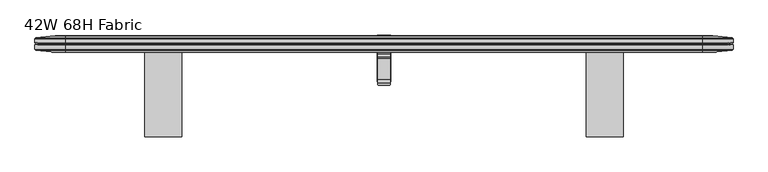
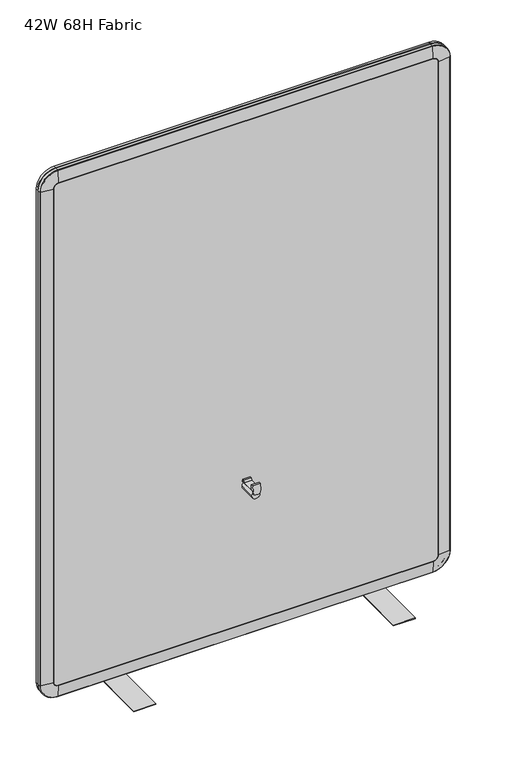
"""IFC4 building model written with IfcOpenShell, lengths in millimetres: furniture geometry, 42W 68H Fabric."""

import ifcopenshell
import ifcopenshell.guid

model = None  # the IFC model being written
_history = None  # IfcOwnerHistory: only IFC2X3 demands one
_inside = {}  # id of a spatial element -> (the spatial element, [elements in it])
_under = {}  # id of a project, library or spatial element -> (it, [spatial elements below it])
_declared = {}  # id of a project -> (the project, [libraries it declares])
_typed = {}  # id of a type object -> (the type object, [elements of that type])
_made_of = {}  # id of a material, layer set ... -> (it, [elements and type objects made of it])


def new_model(schema):
    """Start an empty IFC model of exactly this schema.

    Asked for "IFC4X3", IfcOpenShell would pick the latest addendum, in which some entities
    have other attributes; the version numbers below select the first issue.
    IFC2X3 requires an IfcOwnerHistory on every rooted entity: one is made here for all.
    """
    global model, _history
    if schema == "IFC4X3":
        model = ifcopenshell.file(schema_version=(4, 3, 0, 0))
    else:
        model = ifcopenshell.file(schema=schema)
    _inside.clear()
    _under.clear()
    _declared.clear()
    _typed.clear()
    _made_of.clear()
    _history = None
    if model.schema == "IFC2X3":
        org = make("IfcOrganization", Name="unknown")
        user = make(
            "IfcPersonAndOrganization",
            ThePerson=make("IfcPerson", FamilyName="unknown"),
            TheOrganization=org,
        )
        app = make(
            "IfcApplication",
            ApplicationDeveloper=org,
            Version="unknown",
            ApplicationFullName="unknown",
            ApplicationIdentifier="unknown",
        )
        _history = make(
            "IfcOwnerHistory",
            OwningUser=user,
            OwningApplication=app,
            ChangeAction="ADDED",
            CreationDate=0,
        )
    return model


def make(cls, **values):
    """One entity of the class cls with the attributes given. An attribute that is None is left unset."""
    return model.create_entity(
        cls, **{name: value for name, value in values.items() if value is not None}
    )


def rooted(cls, **values):
    """An entity with a GlobalId (a new one), such as an element, a storey or a relation."""
    return make(cls, GlobalId=ifcopenshell.guid.new(), OwnerHistory=_history, **values)


def si_unit(unit_type, name, prefix=None):
    """IfcSIUnit, for example si_unit("LENGTHUNIT", "METRE", prefix="MILLI")."""
    return make("IfcSIUnit", UnitType=unit_type, Prefix=prefix, Name=name)


def assignment(units):
    """IfcUnitAssignment: the units of a project."""
    return None if units is None else make("IfcUnitAssignment", Units=units)


def point(xyz):
    """IfcCartesianPoint."""
    return None if xyz is None else make("IfcCartesianPoint", Coordinates=xyz)


def direction(xyz):
    """IfcDirection."""
    return None if xyz is None else make("IfcDirection", DirectionRatios=xyz)


def frame(location, z_axis=None, x_axis=None):
    """IfcAxis2Placement3D, a coordinate frame: its origin and axes. An axis left out is left unset."""
    return make(
        "IfcAxis2Placement3D",
        Location=point(location),
        Axis=direction(z_axis),
        RefDirection=direction(x_axis),
    )


def origin():
    """The frame at (0, 0, 0) with its axes left unset."""
    return frame((0.0, 0.0, 0.0))


def place(relative_to, where):
    """IfcLocalPlacement: puts the frame where relative to a parent placement (None: the world)."""
    return make(
        "IfcLocalPlacement", PlacementRelTo=relative_to, RelativePlacement=where
    )


def context(
    kind, dimensions, precision=None, world=None, true_north=None, identifier=None
):
    """IfcGeometricRepresentationContext, for example the 3D "Model" context."""
    return make(
        "IfcGeometricRepresentationContext",
        ContextIdentifier=identifier,
        ContextType=kind,
        CoordinateSpaceDimension=dimensions,
        Precision=precision,
        WorldCoordinateSystem=world,
        TrueNorth=true_north,
    )


def project(units=None, contexts=None):
    """IfcProject with its units and contexts."""
    return rooted(
        "IfcProject",
        Name="project",
        RepresentationContexts=contexts,
        UnitsInContext=assignment(units),
    )


def spatial(cls, under=None, at=None, **own):
    """A site, building, storey or space (cls), placed at a placement, below another one or the project."""
    s = rooted(cls, ObjectPlacement=at, **own)
    if under is not None:
        _under.setdefault(under.id(), (under, []))[1].append(s)
    return s


def polyline(points):
    """IfcPolyline through the points."""
    return make("IfcPolyline", Points=[point(p) for p in points])


def circle_curve(where, radius):
    """IfcCircle in the frame where."""
    return make("IfcCircle", Position=where, Radius=radius)


def ellipse_curve(where, semi_axis1, semi_axis2):
    """IfcEllipse in the frame where."""
    return make(
        "IfcEllipse", Position=where, SemiAxis1=semi_axis1, SemiAxis2=semi_axis2
    )


def trimmed(basis, trim1, trim2, sense, master):
    """IfcTrimmedCurve: the piece of a basis curve between two trims."""
    return make(
        "IfcTrimmedCurve",
        BasisCurve=basis,
        Trim1=trim1,
        Trim2=trim2,
        SenseAgreement=sense,
        MasterRepresentation=master,
    )


def outline(outer, holes=None, kind="AREA"):
    """IfcArbitraryClosedProfileDef: a profile drawn as a closed curve; with holes, ...WithVoids."""
    if holes is None:
        return make("IfcArbitraryClosedProfileDef", ProfileType=kind, OuterCurve=outer)
    return make(
        "IfcArbitraryProfileDefWithVoids",
        ProfileType=kind,
        OuterCurve=outer,
        InnerCurves=holes,
    )


def extrude(swept, where, along, depth):
    """IfcExtrudedAreaSolid: the profile swept, set in the frame where, extruded along a direction by depth."""
    return make(
        "IfcExtrudedAreaSolid",
        SweptArea=swept,
        Position=where,
        ExtrudedDirection=direction(along),
        Depth=depth,
    )


def faces_of(points, faces, orient=None, outer=None):
    """IfcFace entities. A face is a list of loops; a loop is a list of indices into points, from 0.

    orient and outer hold one flag for each loop. By default every Orientation is true, the
    first loop of a face is its IfcFaceOuterBound and the others are IfcFaceBound.
    """
    made = []
    for i, loops in enumerate(faces):
        bounds = []
        for j, loop in enumerate(loops):
            is_outer = j == 0 if outer is None else outer[i][j]
            bounds.append(
                make(
                    "IfcFaceOuterBound" if is_outer else "IfcFaceBound",
                    Bound=make("IfcPolyLoop", Polygon=[points[k] for k in loop]),
                    Orientation=True if orient is None else orient[i][j],
                )
            )
        made.append(make("IfcFace", Bounds=bounds))
    return made


def faceted_brep(points, faces, orient=None, outer=None, voids=None):
    """IfcFacetedBrep: a solid bounded by flat faces; with voids (closed shells), ...WithVoids."""
    shared = [point(p) for p in points]
    hull = make("IfcClosedShell", CfsFaces=faces_of(shared, faces, orient, outer))
    if voids is None:
        return make("IfcFacetedBrep", Outer=hull)
    return make(
        "IfcFacetedBrepWithVoids",
        Outer=hull,
        Voids=[
            make(cls, CfsFaces=faces_of(shared, fs, o, b)) for cls, fs, o, b in voids
        ],
    )


def shape(context_of_items, identifier, shape_type, items):
    """IfcShapeRepresentation: the items that make up one representation, for example the "Body"."""
    return make(
        "IfcShapeRepresentation",
        ContextOfItems=context_of_items,
        RepresentationIdentifier=identifier,
        RepresentationType=shape_type,
        Items=items,
    )


def source(mapping_origin, context_of_items, identifier, shape_type, items):
    """IfcRepresentationMap: a shape defined once, which mapped items show again and again."""
    return make(
        "IfcRepresentationMap",
        MappingOrigin=mapping_origin,
        MappedRepresentation=shape(context_of_items, identifier, shape_type, items),
    )


def transform(
    local_origin,
    x_axis=None,
    y_axis=None,
    z_axis=None,
    scale=None,
    scale2=None,
    scale3=None,
    uniform=True,
):
    """IfcCartesianTransformationOperator3D, or its non-uniform kind. x_axis, y_axis, z_axis: its Axis1, 2, 3."""
    if uniform:
        return make(
            "IfcCartesianTransformationOperator3D",
            Axis1=direction(x_axis),
            Axis2=direction(y_axis),
            LocalOrigin=point(local_origin),
            Scale=scale,
            Axis3=direction(z_axis),
        )
    return make(
        "IfcCartesianTransformationOperator3DnonUniform",
        Axis1=direction(x_axis),
        Axis2=direction(y_axis),
        LocalOrigin=point(local_origin),
        Scale=scale,
        Axis3=direction(z_axis),
        Scale2=scale2,
        Scale3=scale3,
    )


def mapped(mapping_source, mapping_target):
    """IfcMappedItem: shows the shape of a source again, moved by a transform."""
    return make(
        "IfcMappedItem", MappingSource=mapping_source, MappingTarget=mapping_target
    )


def made_of(thing, what):
    """Note that an element or type object is made of a material, layer set ...; save() writes the relation."""
    if what is not None:
        _made_of.setdefault(what.id(), (what, []))[1].append(thing)
    return thing


def element(
    cls,
    number,
    at=None,
    inside=None,
    cuts=None,
    type_object=None,
    material=None,
    context=None,
    identifier="Body",
    shape_type=None,
    held_by="IfcProductDefinitionShape",
    body=None,
    shapes=None,
    **own,
):
    """One element of the class cls, such as IfcWall. Its Tag is "e" and its number.

    at: its placement. inside: the storey or other place that contains it. cuts: it is an
    opening in that element (IfcRelVoidsElement). A single representation is given by context,
    identifier, shape_type and body (its items); several are given by shapes. held_by: the class
    of the entity that holds the representations. save() writes the other relations.
    """
    e = rooted(cls, Tag="e%d" % number, ObjectPlacement=at, **own)
    if body is not None:
        shapes = [shape(context, identifier, shape_type, body)]
    if shapes is not None:
        e.Representation = make(held_by, Representations=shapes)
    if inside is not None:
        _inside.setdefault(inside.id(), (inside, []))[1].append(e)
    if cuts is not None:
        rooted(
            "IfcRelVoidsElement", RelatingBuildingElement=cuts, RelatedOpeningElement=e
        )
    if type_object is not None:
        _typed.setdefault(type_object.id(), (type_object, []))[1].append(e)
    return made_of(e, material)


def aggregate(whole, parts):
    """IfcRelAggregates: a whole, such as a stair, and the parts it consists of."""
    return rooted("IfcRelAggregates", RelatingObject=whole, RelatedObjects=parts)


def save(model, path):
    """Write the relations noted so far, then the file.

    IfcRelAggregates (storeys below a building ...), IfcRelContainedInSpatialStructure (elements
    in a storey), IfcRelDefinesByType, IfcRelAssociatesMaterial and IfcRelDeclares: one each for
    every whole, place, type object, material and project.
    """
    for whole, parts in _under.values():
        aggregate(whole, parts)
    for where, things in _inside.values():
        rooted(
            "IfcRelContainedInSpatialStructure",
            RelatedElements=things,
            RelatingStructure=where,
        )
    for kind, things in _typed.values():
        rooted("IfcRelDefinesByType", RelatedObjects=things, RelatingType=kind)
    for what, things in _made_of.values():
        rooted("IfcRelAssociatesMaterial", RelatedObjects=things, RelatingMaterial=what)
    for by, libraries in _declared.values():
        rooted("IfcRelDeclares", RelatingContext=by, RelatedDefinitions=libraries)
    model.write(path)


def plane_surface(at):
    """IfcPlane: the flat surface through the origin of the frame at, square to its z axis."""
    return make("IfcPlane", Position=at)


def cylinder_surface(at, radius):
    """IfcCylindricalSurface: all points at the distance radius from the z axis of the frame at."""
    return make("IfcCylindricalSurface", Position=at, Radius=radius)


def revolved_surface(curve, axis_point, axis_direction):
    """IfcSurfaceOfRevolution: the curve turned about the line through axis_point along axis_direction."""
    return make(
        "IfcSurfaceOfRevolution",
        SweptCurve=make("IfcArbitraryOpenProfileDef", ProfileType="CURVE", Curve=curve),
        AxisPosition=make("IfcAxis1Placement", Location=point(axis_point), Axis=direction(axis_direction)),
    )


def advanced_brep(points, edges, surfaces, faces):
    """IfcAdvancedBrep: a solid bounded by faces that lie on surfaces and meet in shared edges.

    An edge is (start, end): straight between two places in points (the first is 0);
    or (start, end, curve); or (start, end, curve, False) where it runs against its curve.
    A face is (place in surfaces, loops), or (place, loops, False) where it looks against
    its surface's normal. A loop lists edges by number (the first is 1), with a minus sign
    where the edge is run from its end to its start. The first loop is the outer one.
    """
    corners = [point(p) for p in points]
    vertices = [make("IfcVertexPoint", VertexGeometry=c) for c in corners]
    made = []
    for start, end, *more in edges:
        made.append(
            make(
                "IfcEdgeCurve",
                EdgeStart=vertices[start],
                EdgeEnd=vertices[end],
                EdgeGeometry=more[0] if more else make("IfcPolyline", Points=[corners[start], corners[end]]),
                SameSense=more[1] if len(more) > 1 else True,
            )
        )
    hull = []
    for where, loops, *sense in faces:
        bounds = []
        for j, loop in enumerate(loops):
            ring = [make("IfcOrientedEdge", EdgeElement=made[abs(k) - 1], Orientation=k > 0) for k in loop]
            bounds.append(
                make(
                    "IfcFaceOuterBound" if j == 0 else "IfcFaceBound",
                    Bound=make("IfcEdgeLoop", EdgeList=ring),
                    Orientation=True,
                )
            )
        hull.append(make("IfcAdvancedFace", Bounds=bounds, FaceSurface=surfaces[where], SameSense=sense[0] if sense else True))
    return make("IfcAdvancedBrep", Outer=make("IfcClosedShell", CfsFaces=hull))


def furniture_42w_68h_fabric_8a742047(model_context):
    return source(origin(), model_context, "Body", "SolidModel", [
        faceted_brep([(543.1789937, -2.6277066, 718.3078995), (543.1789937, -7.8728065, 718.3078995), (543.1789937, -9.612707, 713.1770353), (543.1789937, -41.8453065, 713.1770353), (543.1789937, -41.8453065, 727.3377989), (543.1789937, -47.4124812, 727.6782578), (543.1789937, -49.3824418, 711.6342516), (543.1789937, -46.6092656, 711.2937476), (543.1789937, -44.6393083, 725.0708588), (543.1789937, -44.6393083, 711.6530731), (543.1789937, 0.0, 711.6530731), (543.1789937, 0.0, 713.1770353), (543.1789937, -6.4377066, 713.1770353), (543.1789937, -6.2853063, 716.7838646), (543.1789937, -2.6277066, 716.7838646), (523.5447997, -2.6277066, 718.3078995), (523.5447997, -2.6277066, 716.7838646), (523.5447997, -6.2853063, 716.7838646), (523.5447997, -6.4377066, 713.1770353), (523.5447997, 0.0, 713.1770353), (523.5447997, 0.0, 711.6530731), (523.5447997, -44.6393083, 711.6530731), (523.5447997, -44.6393083, 725.0708588), (523.5447997, -46.6092689, 711.2937201), (523.5447997, -49.3824418, 711.6342516), (523.5447997, -47.4124812, 727.6782578), (523.5447997, -41.8453065, 727.3377989), (523.5447997, -41.8453065, 713.1770353), (523.5447997, -9.612707, 713.1770353), (523.5447997, -7.8728065, 718.3078995), (524.8326571, -50.2284276, 704.7442655), (530.1869088, -50.5788515, 701.8902979), (536.5368846, -50.5788515, 701.8902979), (541.8911363, -50.2284276, 704.7442655), (524.8326571, -47.4552511, 704.4037615), (541.8911363, -47.4552511, 704.4037615), (536.5368846, -47.805675, 701.5497938), (530.1869088, -47.805675, 701.5497938)], [[[0, 1, 2, 3, 4, 5, 6, 7, 8, 9, 10, 11, 12, 13, 14]], [[15, 16, 17, 18, 19, 20, 21, 22, 23, 24, 25, 26, 27, 28, 29]], [[1, 0, 15, 29]], [[2, 1, 29, 28]], [[3, 2, 28, 27]], [[4, 3, 27, 26]], [[5, 4, 26, 25]], [[6, 5, 25, 24, 30, 31, 32, 33]], [[8, 7, 23, 22]], [[9, 8, 22, 21]], [[10, 9, 21, 20]], [[11, 10, 20, 19]], [[12, 11, 19, 18]], [[13, 12, 18, 17]], [[14, 13, 17, 16]], [[0, 14, 16, 15]], [[34, 23, 7, 35, 36, 37]], [[31, 30, 34, 37]], [[32, 31, 37, 36]], [[33, 32, 36, 35]], [[6, 33, 35, 7]], [[30, 24, 23, 34]]]),
        advanced_brep(
        [(522.7250945, -44.6393083, 697.9244563), (543.9987055, -44.6393083, 697.9244563), (522.7250945, 26.4188362, 697.9244563), (543.9987055, 26.4188362, 697.9244563)],
        [
            (0, 1, circle_curve(frame((533.3619, -44.6393083, 697.9244563), z_axis=(0.0, -1.0, 0.0), x_axis=(1.0, 0.0, 0.0)), 10.6368055)),
            (1, 0, circle_curve(frame((533.3619, -44.6393083, 697.9244563), z_axis=(0.0, -1.0, 0.0), x_axis=(1.0, 0.0, 0.0)), 10.6368055)),
            (2, 3, circle_curve(frame((533.3619, 26.4188362, 697.9244563), z_axis=(0.0, 1.0, 0.0), x_axis=(1.0, 0.0, 0.0)), 10.6368055)),
            (3, 2, circle_curve(frame((533.3619, 26.4188362, 697.9244563), z_axis=(0.0, 1.0, 0.0), x_axis=(1.0, 0.0, 0.0)), 10.6368055)),
            (0, 2),
            (3, 1),
        ],
        [
            plane_surface(frame((543.9987055, -44.6393083, 697.9244563), z_axis=(0.0, -1.0, 0.0), x_axis=(0.0, 0.0, 1.0))),
            plane_surface(frame((543.9987055, 26.4188362, 697.9244563), z_axis=(0.0, 1.0, 0.0), x_axis=(0.0, 0.0, -1.0))),
            cylinder_surface(frame((533.3619, 26.4188362, 697.9244563), z_axis=(0.0, -1.0, 0.0), x_axis=(1.0, 0.0, 0.0)), 10.6368055),
        ],
        [
            (0, [[1, 2]]),
            (1, [[3, 4]]),
            (2, [[-1, 5, -4, 6]]),
            (2, [[-2, -6, -3, -5]]),
        ],
    ),
        extrude(outline(polyline([(11.6100608, 299.6271871), (13.3880602, 299.6271871), (13.3880602, 280.5771871), (-128.851937, 280.5771871), (-128.851937, 282.3551854), (11.6100608, 282.3551854), (11.6100608, 299.6271871)])), frame((842.0098934, 0.0, 0.0), z_axis=(1.0, 0.0, 0.0), x_axis=(0.0, 1.0, 0.0)), (0.0, 0.0, 1.0), 57.15),
        advanced_brep(
        [(32.6290972, 0.060067, 1685.4384987), (46.0374985, 0.060067, 1698.8469), (46.0374985, 3.1660648, 1729.8795636), (1.5964336, 3.1660648, 1685.4384987), (33.8323782, 0.0, 1685.4384987), (46.0374985, 0.0, 1697.6436189), (31.2877283, 25.2051854, 1685.4384987), (46.0374985, 25.2051854, 1700.1882689), (46.0374985, 25.4000008, 1696.2954989), (35.1804983, 25.4000008, 1685.4384987), (1.5874985, 22.2249992, 1685.4384987), (46.0374985, 22.2249992, 1729.8884987), (0.0635363, 20.7010007, 1685.4384987), (46.0374985, 20.7010007, 1731.4124609), (0.0635363, 14.2240001, 1685.4384987), (46.0374985, 14.2240001, 1731.4124609), (1.5874985, 12.7000004, 1685.4384987), (46.0374985, 12.7000004, 1729.8884987), (0.0635363, 11.1759996, 1685.4384987), (46.0374985, 11.1759996, 1731.4124609), (0.0635363, 4.6990001, 1685.4384987), (46.0374985, 4.6990001, 1731.4124609), (1.5964336, 3.1660648, 329.7896689), (32.6290972, 0.060067, 329.7896689), (33.8323782, 0.0, 329.7896689), (35.1804983, 25.4000008, 329.7896689), (31.2877283, 25.2051854, 329.7896689), (1.5874985, 22.2249992, 329.7896689), (0.0635363, 20.7010007, 329.7896689), (0.0635363, 14.2240001, 329.7896689), (1.5874985, 12.7000004, 329.7896689), (0.0635363, 11.1759996, 329.7896689), (0.0635363, 4.6990001, 329.7896689), (46.0374985, 3.1660648, 285.3486041), (46.0374985, 0.060067, 316.3812677), (46.0374985, 0.0, 317.5845487), (46.0374985, 25.4000008, 318.9326688), (46.0374985, 25.2051854, 315.0398987), (46.0374985, 22.2249992, 285.3396689), (46.0374985, 20.7010007, 283.8157067), (46.0374985, 14.2240001, 283.8157067), (46.0374985, 12.7000004, 285.3396689), (46.0374985, 11.1759996, 283.8157067), (46.0374985, 4.6990001, 283.8157067), (1020.6863176, 3.1660648, 285.3486041), (1020.6863176, 0.060067, 316.3812677), (1020.6863176, 0.0, 317.5845487), (1020.6863176, 25.4000008, 318.9326688), (1020.6863176, 25.2051854, 315.0398987), (1020.6863176, 22.2249992, 285.3396689), (1020.6863176, 20.7010007, 283.8157067), (1020.6863176, 14.2240001, 283.8157067), (1020.6863176, 12.7000004, 285.3396689), (1020.6863176, 11.1759996, 283.8157067), (1020.6863176, 4.6990001, 283.8157067), (1065.1273825, 3.1660648, 329.7896689), (1034.0947189, 0.060067, 329.7896689), (1032.8914379, 0.0, 329.7896689), (1031.5433178, 25.4000008, 329.7896689), (1035.4360878, 25.2051854, 329.7896689), (1065.1363176, 22.2249992, 329.7896689), (1066.6602798, 20.7010007, 329.7896689), (1066.6602798, 14.2240001, 329.7896689), (1065.1363176, 12.7000004, 329.7896689), (1066.6602798, 11.1759996, 329.7896689), (1066.6602798, 4.6990001, 329.7896689), (1065.1273825, 3.1660648, 1685.4384987), (1034.0947189, 0.060067, 1685.4384987), (1032.8914379, 0.0, 1685.4384987), (1031.5433178, 25.4000008, 1685.4384987), (1035.4360878, 25.2051854, 1685.4384987), (1065.1363176, 22.2249992, 1685.4384987), (1066.6602798, 20.7010007, 1685.4384987), (1066.6602798, 14.2240001, 1685.4384987), (1065.1363176, 12.7000004, 1685.4384987), (1066.6602798, 11.1759996, 1685.4384987), (1066.6602798, 4.6990001, 1685.4384987), (1020.6863176, 3.1660648, 1729.8795636), (1020.6863176, 0.060067, 1698.8469), (1020.6863176, 0.0, 1697.6436189), (1020.6863176, 25.4000008, 1696.2954989), (1020.6863176, 25.2051854, 1700.1882689), (1020.6863176, 22.2249992, 1729.8884987), (1020.6863176, 20.7010007, 1731.4124609), (1020.6863176, 14.2240001, 1731.4124609), (1020.6863176, 12.7000004, 1729.8884987), (1020.6863176, 11.1759996, 1731.4124609), (1020.6863176, 4.6990001, 1731.4124609)],
        [
            (0, 1, circle_curve(frame((46.0374985, 0.060067, 1685.4384987), z_axis=(0.0, 1.0, 0.0), x_axis=(0.0, 0.0, 1.0)), 13.4084013)),
            (1, 2),
            (2, 3, circle_curve(frame((46.0374985, 3.1660648, 1685.4384987), z_axis=(0.0, -1.0, 0.0), x_axis=(0.0, 0.0, 1.0)), 44.4410649)),
            (3, 0),
            (0, 4, circle_curve(frame((33.8323782, 12.0822956, 1685.4384987), z_axis=(0.0, 0.0, 1.0), x_axis=(1.0, 0.0, 0.0)), 12.0822956)),
            (4, 5, circle_curve(frame((46.0374985, 0.0, 1685.4384987), z_axis=(0.0, 1.0, 0.0), x_axis=(0.0, 0.0, 1.0)), 12.2051202)),
            (5, 1, circle_curve(frame((46.0374985, 12.0822956, 1697.6436189), z_axis=(-1.0, 0.0, 0.0), x_axis=(0.0, 0.0, -1.0)), 12.0822956)),
            (6, 7, circle_curve(frame((46.0374985, 25.2051854, 1685.4384987), z_axis=(0.0, 1.0, 0.0), x_axis=(0.0, 0.0, 1.0)), 14.7497702)),
            (7, 8, circle_curve(frame((46.0374985, -13.589762, 1696.2954989), z_axis=(-1.0, 0.0, 0.0), x_axis=(0.0, 0.0, -1.0)), 38.9897628)),
            (8, 9, circle_curve(frame((46.0374985, 25.4000008, 1685.4384987), z_axis=(0.0, -1.0, 0.0), x_axis=(0.0, 0.0, 1.0)), 10.8570002)),
            (9, 6, circle_curve(frame((35.1804983, -13.589762, 1685.4384987), z_axis=(0.0, 0.0, 1.0), x_axis=(1.0, 0.0, 0.0)), 38.9897628)),
            (6, 10),
            (10, 11, circle_curve(frame((46.0374985, 22.2249992, 1685.4384987), z_axis=(0.0, 1.0, 0.0), x_axis=(0.0, 0.0, 1.0)), 44.45)),
            (11, 7),
            (10, 12),
            (12, 13, circle_curve(frame((46.0374985, 20.7010007, 1685.4384987), z_axis=(0.0, 1.0, 0.0), x_axis=(0.0, 0.0, 1.0)), 45.9739622)),
            (13, 11),
            (12, 14),
            (14, 15, circle_curve(frame((46.0374985, 14.2240001, 1685.4384987), z_axis=(0.0, 1.0, 0.0), x_axis=(0.0, 0.0, 1.0)), 45.9739622)),
            (15, 13),
            (14, 16),
            (16, 17, circle_curve(frame((46.0374985, 12.7000004, 1685.4384987), z_axis=(0.0, 1.0, 0.0), x_axis=(0.0, 0.0, 1.0)), 44.45)),
            (17, 15),
            (16, 18),
            (18, 19, circle_curve(frame((46.0374985, 11.1759996, 1685.4384987), z_axis=(0.0, 1.0, 0.0), x_axis=(0.0, 0.0, 1.0)), 45.9739622)),
            (19, 17),
            (18, 20),
            (20, 21, circle_curve(frame((46.0374985, 4.6990001, 1685.4384987), z_axis=(0.0, 1.0, 0.0), x_axis=(0.0, 0.0, 1.0)), 45.9739622)),
            (21, 19),
            (2, 21),
            (20, 3),
            (3, 22),
            (22, 23),
            (23, 0),
            (23, 24, circle_curve(frame((33.8323782, 12.0822956, 329.7896689), z_axis=(0.0, 0.0, 1.0), x_axis=(1.0, 0.0, 0.0)), 12.0822956)),
            (24, 4),
            (9, 25),
            (25, 26, circle_curve(frame((35.1804983, -13.589762, 329.7896689), z_axis=(0.0, 0.0, 1.0), x_axis=(1.0, 0.0, 0.0)), 38.9897628)),
            (26, 6),
            (26, 27),
            (27, 10),
            (27, 28),
            (28, 12),
            (28, 29),
            (29, 14),
            (29, 30),
            (30, 16),
            (30, 31),
            (31, 18),
            (31, 32),
            (32, 20),
            (32, 22),
            (22, 33, circle_curve(frame((46.0374985, 3.1660648, 329.7896689), z_axis=(0.0, -1.0, 0.0), x_axis=(-1.0, 0.0, 0.0)), 44.4410649)),
            (33, 34),
            (34, 23, circle_curve(frame((46.0374985, 0.060067, 329.7896689), z_axis=(0.0, 1.0, 0.0), x_axis=(-1.0, 0.0, 0.0)), 13.4084013)),
            (34, 35, circle_curve(frame((46.0374985, 12.0822956, 317.5845487), z_axis=(-1.0, 0.0, 0.0), x_axis=(0.0, 0.0, 1.0)), 12.0822956)),
            (35, 24, circle_curve(frame((46.0374985, 0.0, 329.7896689), z_axis=(0.0, 1.0, 0.0), x_axis=(-1.0, 0.0, 0.0)), 12.2051202)),
            (25, 36, circle_curve(frame((46.0374985, 25.4000008, 329.7896689), z_axis=(0.0, -1.0, 0.0), x_axis=(-1.0, 0.0, 0.0)), 10.8570002)),
            (36, 37, circle_curve(frame((46.0374985, -13.589762, 318.9326688), z_axis=(-1.0, 0.0, 0.0), x_axis=(0.0, 0.0, 1.0)), 38.9897628)),
            (37, 26, circle_curve(frame((46.0374985, 25.2051854, 329.7896689), z_axis=(0.0, 1.0, 0.0), x_axis=(-1.0, 0.0, 0.0)), 14.7497702)),
            (37, 38),
            (38, 27, circle_curve(frame((46.0374985, 22.2249992, 329.7896689), z_axis=(0.0, 1.0, 0.0), x_axis=(-1.0, 0.0, 0.0)), 44.45)),
            (38, 39),
            (39, 28, circle_curve(frame((46.0374985, 20.7010007, 329.7896689), z_axis=(0.0, 1.0, 0.0), x_axis=(-1.0, 0.0, 0.0)), 45.9739622)),
            (39, 40),
            (40, 29, circle_curve(frame((46.0374985, 14.2240001, 329.7896689), z_axis=(0.0, 1.0, 0.0), x_axis=(-1.0, 0.0, 0.0)), 45.9739622)),
            (40, 41),
            (41, 30, circle_curve(frame((46.0374985, 12.7000004, 329.7896689), z_axis=(0.0, 1.0, 0.0), x_axis=(-1.0, 0.0, 0.0)), 44.45)),
            (41, 42),
            (42, 31, circle_curve(frame((46.0374985, 11.1759996, 329.7896689), z_axis=(0.0, 1.0, 0.0), x_axis=(-1.0, 0.0, 0.0)), 45.9739622)),
            (42, 43),
            (43, 32, circle_curve(frame((46.0374985, 4.6990001, 329.7896689), z_axis=(0.0, 1.0, 0.0), x_axis=(-1.0, 0.0, 0.0)), 45.9739622)),
            (43, 33),
            (33, 44),
            (44, 45),
            (45, 34),
            (45, 46, circle_curve(frame((1020.6863176, 12.0822956, 317.5845487), z_axis=(-1.0, 0.0, 0.0), x_axis=(0.0, 0.0, 1.0)), 12.0822956)),
            (46, 35),
            (36, 47),
            (47, 48, circle_curve(frame((1020.6863176, -13.589762, 318.9326688), z_axis=(-1.0, 0.0, 0.0), x_axis=(0.0, 0.0, 1.0)), 38.9897628)),
            (48, 37),
            (48, 49),
            (49, 38),
            (49, 50),
            (50, 39),
            (50, 51),
            (51, 40),
            (51, 52),
            (52, 41),
            (52, 53),
            (53, 42),
            (53, 54),
            (54, 43),
            (54, 44),
            (44, 55, circle_curve(frame((1020.6863176, 3.1660648, 329.7896689), z_axis=(0.0, -1.0, 0.0), x_axis=(0.0, 0.0, -1.0)), 44.4410649)),
            (55, 56),
            (56, 45, circle_curve(frame((1020.6863176, 0.060067, 329.7896689), z_axis=(0.0, 1.0, 0.0), x_axis=(0.0, 0.0, -1.0)), 13.4084013)),
            (56, 57, circle_curve(frame((1032.8914379, 12.0822956, 329.7896689), z_axis=(0.0, 0.0, -1.0), x_axis=(-1.0, 0.0, 0.0)), 12.0822956)),
            (57, 46, circle_curve(frame((1020.6863176, 0.0, 329.7896689), z_axis=(0.0, 1.0, 0.0), x_axis=(0.0, 0.0, -1.0)), 12.2051202)),
            (47, 58, circle_curve(frame((1020.6863176, 25.4000008, 329.7896689), z_axis=(0.0, -1.0, 0.0), x_axis=(0.0, 0.0, -1.0)), 10.8570002)),
            (58, 59, circle_curve(frame((1031.5433178, -13.589762, 329.7896689), z_axis=(0.0, 0.0, -1.0), x_axis=(-1.0, 0.0, 0.0)), 38.9897628)),
            (59, 48, circle_curve(frame((1020.6863176, 25.2051854, 329.7896689), z_axis=(0.0, 1.0, 0.0), x_axis=(0.0, 0.0, -1.0)), 14.7497702)),
            (59, 60),
            (60, 49, circle_curve(frame((1020.6863176, 22.2249992, 329.7896689), z_axis=(0.0, 1.0, 0.0), x_axis=(0.0, 0.0, -1.0)), 44.45)),
            (60, 61),
            (61, 50, circle_curve(frame((1020.6863176, 20.7010007, 329.7896689), z_axis=(0.0, 1.0, 0.0), x_axis=(0.0, 0.0, -1.0)), 45.9739622)),
            (61, 62),
            (62, 51, circle_curve(frame((1020.6863176, 14.2240001, 329.7896689), z_axis=(0.0, 1.0, 0.0), x_axis=(0.0, 0.0, -1.0)), 45.9739622)),
            (62, 63),
            (63, 52, circle_curve(frame((1020.6863176, 12.7000004, 329.7896689), z_axis=(0.0, 1.0, 0.0), x_axis=(0.0, 0.0, -1.0)), 44.45)),
            (63, 64),
            (64, 53, circle_curve(frame((1020.6863176, 11.1759996, 329.7896689), z_axis=(0.0, 1.0, 0.0), x_axis=(0.0, 0.0, -1.0)), 45.9739622)),
            (64, 65),
            (65, 54, circle_curve(frame((1020.6863176, 4.6990001, 329.7896689), z_axis=(0.0, 1.0, 0.0), x_axis=(0.0, 0.0, -1.0)), 45.9739622)),
            (65, 55),
            (55, 66),
            (66, 67),
            (67, 56),
            (67, 68, circle_curve(frame((1032.8914379, 12.0822956, 1685.4384987), z_axis=(0.0, 0.0, -1.0), x_axis=(-1.0, 0.0, 0.0)), 12.0822956)),
            (68, 57),
            (58, 69),
            (69, 70, circle_curve(frame((1031.5433178, -13.589762, 1685.4384987), z_axis=(0.0, 0.0, -1.0), x_axis=(-1.0, 0.0, 0.0)), 38.9897628)),
            (70, 59),
            (70, 71),
            (71, 60),
            (71, 72),
            (72, 61),
            (72, 73),
            (73, 62),
            (73, 74),
            (74, 63),
            (74, 75),
            (75, 64),
            (75, 76),
            (76, 65),
            (76, 66),
            (66, 77, circle_curve(frame((1020.6863176, 3.1660648, 1685.4384987), z_axis=(0.0, -1.0, 0.0), x_axis=(1.0, 0.0, 0.0)), 44.4410649)),
            (77, 78),
            (78, 67, circle_curve(frame((1020.6863176, 0.060067, 1685.4384987), z_axis=(0.0, 1.0, 0.0), x_axis=(1.0, 0.0, 0.0)), 13.4084013)),
            (78, 79, circle_curve(frame((1020.6863176, 12.0822956, 1697.6436189), z_axis=(1.0, 0.0, 0.0), x_axis=(0.0, 0.0, -1.0)), 12.0822956)),
            (79, 68, circle_curve(frame((1020.6863176, 0.0, 1685.4384987), z_axis=(0.0, 1.0, 0.0), x_axis=(1.0, 0.0, 0.0)), 12.2051202)),
            (69, 80, circle_curve(frame((1020.6863176, 25.4000008, 1685.4384987), z_axis=(0.0, -1.0, 0.0), x_axis=(1.0, 0.0, 0.0)), 10.8570002)),
            (80, 81, circle_curve(frame((1020.6863176, -13.589762, 1696.2954989), z_axis=(1.0, 0.0, 0.0), x_axis=(0.0, 0.0, -1.0)), 38.9897628)),
            (81, 70, circle_curve(frame((1020.6863176, 25.2051854, 1685.4384987), z_axis=(0.0, 1.0, 0.0), x_axis=(1.0, 0.0, 0.0)), 14.7497702)),
            (81, 82),
            (82, 71, circle_curve(frame((1020.6863176, 22.2249992, 1685.4384987), z_axis=(0.0, 1.0, 0.0), x_axis=(1.0, 0.0, 0.0)), 44.45)),
            (82, 83),
            (83, 72, circle_curve(frame((1020.6863176, 20.7010007, 1685.4384987), z_axis=(0.0, 1.0, 0.0), x_axis=(1.0, 0.0, 0.0)), 45.9739622)),
            (83, 84),
            (84, 73, circle_curve(frame((1020.6863176, 14.2240001, 1685.4384987), z_axis=(0.0, 1.0, 0.0), x_axis=(1.0, 0.0, 0.0)), 45.9739622)),
            (84, 85),
            (85, 74, circle_curve(frame((1020.6863176, 12.7000004, 1685.4384987), z_axis=(0.0, 1.0, 0.0), x_axis=(1.0, 0.0, 0.0)), 44.45)),
            (85, 86),
            (86, 75, circle_curve(frame((1020.6863176, 11.1759996, 1685.4384987), z_axis=(0.0, 1.0, 0.0), x_axis=(1.0, 0.0, 0.0)), 45.9739622)),
            (86, 87),
            (87, 76, circle_curve(frame((1020.6863176, 4.6990001, 1685.4384987), z_axis=(0.0, 1.0, 0.0), x_axis=(1.0, 0.0, 0.0)), 45.9739622)),
            (87, 77),
            (1, 78),
            (77, 2),
            (5, 79),
            (8, 80),
            (7, 81),
            (11, 82),
            (13, 83),
            (15, 84),
            (17, 85),
            (19, 86),
            (21, 87),
        ],
        [
            revolved_surface(polyline([(46.0374985, 3.1660648, 1729.8795636), (46.0374985, 0.060067, 1698.8469)]), (46.0374985, 0.0, 1685.4384987), (0.0, -1.0, 0.0)),
            revolved_surface(trimmed(ellipse_curve(frame((46.0374985, 12.0822956, 1697.6436189), z_axis=(1.0, 0.0, 0.0), x_axis=(0.0, 0.0, -1.0)), 12.0822956, 12.0822956), [point((46.0374985, 0.060067, 1698.8469))], [point((46.0374985, 0.0, 1697.6436189))], True, "CARTESIAN"), (46.0374985, 0.0, 1685.4384987), (0.0, -1.0, 0.0)),
            revolved_surface(trimmed(ellipse_curve(frame((46.0374985, -13.589762, 1696.2954989), z_axis=(1.0, 0.0, 0.0), x_axis=(0.0, 0.0, -1.0)), 38.9897628, 38.9897628), [point((46.0374985, 25.4000008, 1696.2954989))], [point((46.0374985, 25.2051854, 1700.1882689))], True, "CARTESIAN"), (46.0374985, 0.0, 1685.4384987), (0.0, -1.0, 0.0)),
            revolved_surface(polyline([(46.0374985, 25.2051854, 1700.1882689), (46.0374985, 22.2249992, 1729.8884987)]), (46.0374985, 0.0, 1685.4384987), (0.0, -1.0, 0.0)),
            revolved_surface(polyline([(46.0374985, 22.2249992, 1729.8884987), (46.0374985, 20.7010007, 1731.4124609)]), (46.0374985, 0.0, 1685.4384987), (0.0, -1.0, 0.0)),
            cylinder_surface(frame((46.0374985, 0.0, 1685.4384987), z_axis=(0.0, -1.0, 0.0), x_axis=(0.0, 0.0, 1.0)), 45.9739622),
            revolved_surface(polyline([(46.0374985, 14.2240001, 1731.4124609), (46.0374985, 12.7000004, 1729.8884987)]), (46.0374985, 0.0, 1685.4384987), (0.0, -1.0, 0.0)),
            revolved_surface(polyline([(46.0374985, 12.7000004, 1729.8884987), (46.0374985, 11.1759996, 1731.4124609)]), (46.0374985, 0.0, 1685.4384987), (0.0, -1.0, 0.0)),
            revolved_surface(polyline([(46.0374985, 4.6990001, 1731.4124609), (46.0374985, 3.1660648, 1729.8795636)]), (46.0374985, 0.0, 1685.4384987), (0.0, -1.0, 0.0)),
            plane_surface(frame((1.5964336, 3.1660648, 1685.4384987), z_axis=(-0.09959043254809558, -0.9950285150410934, 0.0), x_axis=(0.0, 0.0, -1.0))),
            cylinder_surface(frame((33.8323782, 12.0822956, 1685.4384987), z_axis=(0.0, 0.0, 1.0), x_axis=(1.0, 0.0, 0.0)), 12.0822956),
            cylinder_surface(frame((35.1804983, -13.589762, 1685.4384987), z_axis=(0.0, 0.0, 1.0), x_axis=(1.0, 0.0, 0.0)), 38.9897628),
            plane_surface(frame((31.2877283, 25.2051854, 1685.4384987), z_axis=(-0.09984082330665782, 0.9950034221053959, 0.0), x_axis=(0.0, 0.0, -1.0))),
            plane_surface(frame((1.5874985, 22.2249992, 1685.4384987), z_axis=(-0.7071152106163843, 0.7070983516562223, 0.0), x_axis=(0.0, 0.0, -1.0))),
            plane_surface(frame((0.0635363, 20.7010007, 1685.4384987), z_axis=(-1.0, 0.0, 0.0), x_axis=(0.0, 0.0, -1.0))),
            plane_surface(frame((0.0635363, 14.2240001, 1685.4384987), z_axis=(-0.7071154740296444, -0.7070980882365836, 0.0), x_axis=(0.0, 0.0, -1.0))),
            plane_surface(frame((1.5874985, 12.7000004, 1685.4384987), z_axis=(-0.7071157374448838, 0.7070978248147695, 0.0), x_axis=(0.0, 0.0, -1.0))),
            plane_surface(frame((0.0635363, 11.1759996, 1685.4384987), z_axis=(-1.0, 0.0, 0.0), x_axis=(0.0, 0.0, -1.0))),
            plane_surface(frame((0.0635363, 4.6990001, 1685.4384987), z_axis=(-0.7071155398836171, -0.7070980223809855, 0.0), x_axis=(0.0, 0.0, -1.0))),
            revolved_surface(polyline([(1.5964336, 3.1660648, 329.7896689), (32.6290972, 0.060067, 329.7896689)]), (46.0374985, 0.0, 329.7896689), (0.0, -1.0, 0.0)),
            revolved_surface(trimmed(ellipse_curve(frame((33.8323782, 12.0822956, 329.7896689), z_axis=(0.0, 0.0, 1.0), x_axis=(1.0, 0.0, 0.0)), 12.0822956, 12.0822956), [point((32.6290972, 0.060067, 329.7896689))], [point((33.8323782, 0.0, 329.7896689))], True, "CARTESIAN"), (46.0374985, 0.0, 329.7896689), (0.0, -1.0, 0.0)),
            revolved_surface(trimmed(ellipse_curve(frame((35.1804983, -13.589762, 329.7896689), z_axis=(0.0, 0.0, 1.0), x_axis=(1.0, 0.0, 0.0)), 38.9897628, 38.9897628), [point((35.1804983, 25.4000008, 329.7896689))], [point((31.2877283, 25.2051854, 329.7896689))], True, "CARTESIAN"), (46.0374985, 0.0, 329.7896689), (0.0, -1.0, 0.0)),
            revolved_surface(polyline([(31.2877283, 25.2051854, 329.7896689), (1.5874985, 22.2249992, 329.7896689)]), (46.0374985, 0.0, 329.7896689), (0.0, -1.0, 0.0)),
            revolved_surface(polyline([(1.5874985, 22.2249992, 329.7896689), (0.0635363, 20.7010007, 329.7896689)]), (46.0374985, 0.0, 329.7896689), (0.0, -1.0, 0.0)),
            cylinder_surface(frame((46.0374985, 0.0, 329.7896689), z_axis=(0.0, -1.0, 0.0), x_axis=(-1.0, 0.0, 0.0)), 45.9739622),
            revolved_surface(polyline([(0.0635363, 14.2240001, 329.7896689), (1.5874985, 12.7000004, 329.7896689)]), (46.0374985, 0.0, 329.7896689), (0.0, -1.0, 0.0)),
            revolved_surface(polyline([(1.5874985, 12.7000004, 329.7896689), (0.0635363, 11.1759996, 329.7896689)]), (46.0374985, 0.0, 329.7896689), (0.0, -1.0, 0.0)),
            revolved_surface(polyline([(0.0635363, 4.6990001, 329.7896689), (1.5964336, 3.1660648, 329.7896689)]), (46.0374985, 0.0, 329.7896689), (0.0, -1.0, 0.0)),
            plane_surface(frame((46.0374985, 3.1660648, 285.3486041), z_axis=(0.0, -0.9950285150410885, -0.09959043254814469), x_axis=(1.0, 0.0, 0.0))),
            cylinder_surface(frame((46.0374985, 12.0822956, 317.5845487), z_axis=(-1.0, 0.0, 0.0), x_axis=(0.0, 0.0, 1.0)), 12.0822956),
            cylinder_surface(frame((46.0374985, -13.589762, 318.9326688), z_axis=(-1.0, 0.0, 0.0), x_axis=(0.0, 0.0, 1.0)), 38.9897628),
            plane_surface(frame((46.0374985, 25.2051854, 315.0398987), z_axis=(0.0, 0.9950034221054009, -0.09984082330660872), x_axis=(1.0, 0.0, 0.0))),
            plane_surface(frame((46.0374985, 22.2249992, 285.3396689), z_axis=(0.0, 0.7070983516562571, -0.7071152106163494), x_axis=(1.0, 0.0, 0.0))),
            plane_surface(frame((46.0374985, 20.7010007, 283.8157067), z_axis=(0.0, 0.0, -1.0), x_axis=(1.0, 0.0, 0.0))),
            plane_surface(frame((46.0374985, 14.2240001, 283.8157067), z_axis=(0.0, -0.7070980882365487, -0.7071154740296792), x_axis=(1.0, 0.0, 0.0))),
            plane_surface(frame((46.0374985, 12.7000004, 285.3396689), z_axis=(0.0, 0.7070978248148043, -0.7071157374448489), x_axis=(1.0, 0.0, 0.0))),
            plane_surface(frame((46.0374985, 11.1759996, 283.8157067), z_axis=(0.0, 0.0, -1.0), x_axis=(1.0, 0.0, 0.0))),
            plane_surface(frame((46.0374985, 4.6990001, 283.8157067), z_axis=(0.0, -0.7070980223809508, -0.7071155398836521), x_axis=(1.0, 0.0, 0.0))),
            revolved_surface(polyline([(1020.6863176, 3.1660648, 285.3486041), (1020.6863176, 0.060067, 316.3812677)]), (1020.6863176, 0.0, 329.7896689), (0.0, -1.0, 0.0)),
            revolved_surface(trimmed(ellipse_curve(frame((1020.6863176, 12.0822956, 317.5845487), z_axis=(-1.0, 0.0, 0.0), x_axis=(0.0, 0.0, 1.0)), 12.0822956, 12.0822956), [point((1020.6863176, 0.060067, 316.3812677))], [point((1020.6863176, 0.0, 317.5845487))], True, "CARTESIAN"), (1020.6863176, 0.0, 329.7896689), (0.0, -1.0, 0.0)),
            revolved_surface(trimmed(ellipse_curve(frame((1020.6863176, -13.589762, 318.9326688), z_axis=(-1.0, 0.0, 0.0), x_axis=(0.0, 0.0, 1.0)), 38.9897628, 38.9897628), [point((1020.6863176, 25.4000008, 318.9326688))], [point((1020.6863176, 25.2051854, 315.0398987))], True, "CARTESIAN"), (1020.6863176, 0.0, 329.7896689), (0.0, -1.0, 0.0)),
            revolved_surface(polyline([(1020.6863176, 25.2051854, 315.0398987), (1020.6863176, 22.2249992, 285.3396689)]), (1020.6863176, 0.0, 329.7896689), (0.0, -1.0, 0.0)),
            revolved_surface(polyline([(1020.6863176, 22.2249992, 285.3396689), (1020.6863176, 20.7010007, 283.8157067)]), (1020.6863176, 0.0, 329.7896689), (0.0, -1.0, 0.0)),
            cylinder_surface(frame((1020.6863176, 0.0, 329.7896689), z_axis=(0.0, -1.0, 0.0), x_axis=(0.0, 0.0, -1.0)), 45.9739622),
            revolved_surface(polyline([(1020.6863176, 14.2240001, 283.8157067), (1020.6863176, 12.7000004, 285.3396689)]), (1020.6863176, 0.0, 329.7896689), (0.0, -1.0, 0.0)),
            revolved_surface(polyline([(1020.6863176, 12.7000004, 285.3396689), (1020.6863176, 11.1759996, 283.8157067)]), (1020.6863176, 0.0, 329.7896689), (0.0, -1.0, 0.0)),
            revolved_surface(polyline([(1020.6863176, 4.6990001, 283.8157067), (1020.6863176, 3.1660648, 285.3486041)]), (1020.6863176, 0.0, 329.7896689), (0.0, -1.0, 0.0)),
            plane_surface(frame((1065.1273825, 3.1660648, 329.7896689), z_axis=(0.09959043254809558, -0.9950285150410934, 0.0), x_axis=(0.0, 0.0, 1.0))),
            cylinder_surface(frame((1032.8914379, 12.0822956, 329.7896689), z_axis=(0.0, 0.0, -1.0), x_axis=(-1.0, 0.0, 0.0)), 12.0822956),
            cylinder_surface(frame((1031.5433178, -13.589762, 329.7896689), z_axis=(0.0, 0.0, -1.0), x_axis=(-1.0, 0.0, 0.0)), 38.9897628),
            plane_surface(frame((1035.4360878, 25.2051854, 329.7896689), z_axis=(0.09984082330665783, 0.995003422105396, 0.0), x_axis=(0.0, 0.0, 1.0))),
            plane_surface(frame((1065.1363176, 22.2249992, 329.7896689), z_axis=(0.7071152106163843, 0.7070983516562223, 0.0), x_axis=(0.0, 0.0, 1.0))),
            plane_surface(frame((1066.6602798, 20.7010007, 329.7896689), z_axis=(1.0, 0.0, 0.0), x_axis=(0.0, 0.0, 1.0))),
            plane_surface(frame((1066.6602798, 14.2240001, 329.7896689), z_axis=(0.7071154740296444, -0.7070980882365836, 0.0), x_axis=(0.0, 0.0, 1.0))),
            plane_surface(frame((1065.1363176, 12.7000004, 329.7896689), z_axis=(0.7071157374448838, 0.7070978248147695, 0.0), x_axis=(0.0, 0.0, 1.0))),
            plane_surface(frame((1066.6602798, 11.1759996, 329.7896689), z_axis=(1.0, 0.0, 0.0), x_axis=(0.0, 0.0, 1.0))),
            plane_surface(frame((1066.6602798, 4.6990001, 329.7896689), z_axis=(0.7071155398836172, -0.7070980223809856, 0.0), x_axis=(0.0, 0.0, 1.0))),
            revolved_surface(polyline([(1065.1273825, 3.1660648, 1685.4384987), (1034.0947189, 0.060067, 1685.4384987)]), (1020.6863176, 0.0, 1685.4384987), (0.0, -1.0, 0.0)),
            revolved_surface(trimmed(ellipse_curve(frame((1032.8914379, 12.0822956, 1685.4384987), z_axis=(0.0, 0.0, -1.0), x_axis=(-1.0, 0.0, 0.0)), 12.0822956, 12.0822956), [point((1034.0947189, 0.060067, 1685.4384987))], [point((1032.8914379, 0.0, 1685.4384987))], True, "CARTESIAN"), (1020.6863176, 0.0, 1685.4384987), (0.0, -1.0, 0.0)),
            revolved_surface(trimmed(ellipse_curve(frame((1031.5433178, -13.589762, 1685.4384987), z_axis=(0.0, 0.0, -1.0), x_axis=(-1.0, 0.0, 0.0)), 38.9897628, 38.9897628), [point((1031.5433178, 25.4000008, 1685.4384987))], [point((1035.4360878, 25.2051854, 1685.4384987))], True, "CARTESIAN"), (1020.6863176, 0.0, 1685.4384987), (0.0, -1.0, 0.0)),
            revolved_surface(polyline([(1035.4360878, 25.2051854, 1685.4384987), (1065.1363176, 22.2249992, 1685.4384987)]), (1020.6863176, 0.0, 1685.4384987), (0.0, -1.0, 0.0)),
            revolved_surface(polyline([(1065.1363176, 22.2249992, 1685.4384987), (1066.6602798, 20.7010007, 1685.4384987)]), (1020.6863176, 0.0, 1685.4384987), (0.0, -1.0, 0.0)),
            cylinder_surface(frame((1020.6863176, 0.0, 1685.4384987), z_axis=(0.0, -1.0, 0.0), x_axis=(1.0, 0.0, 0.0)), 45.9739622),
            revolved_surface(polyline([(1066.6602798, 14.2240001, 1685.4384987), (1065.1363176, 12.7000004, 1685.4384987)]), (1020.6863176, 0.0, 1685.4384987), (0.0, -1.0, 0.0)),
            revolved_surface(polyline([(1065.1363176, 12.7000004, 1685.4384987), (1066.6602798, 11.1759996, 1685.4384987)]), (1020.6863176, 0.0, 1685.4384987), (0.0, -1.0, 0.0)),
            revolved_surface(polyline([(1066.6602798, 4.6990001, 1685.4384987), (1065.1273825, 3.1660648, 1685.4384987)]), (1020.6863176, 0.0, 1685.4384987), (0.0, -1.0, 0.0)),
            plane_surface(frame((1020.6863176, 3.1660648, 1729.8795636), z_axis=(0.0, -0.9950285150410982, 0.09959043254804646), x_axis=(-1.0, 0.0, 0.0))),
            cylinder_surface(frame((1020.6863176, 12.0822956, 1697.6436189), z_axis=(1.0, 0.0, 0.0), x_axis=(0.0, 0.0, -1.0)), 12.0822956),
            plane_surface(frame((1020.6863176, 0.0, 1697.6436189), z_axis=(0.0, -1.0, 0.0), x_axis=(-1.0, 0.0, 0.0))),
            plane_surface(frame((1020.6863176, 25.4000008, 1691.7884987), z_axis=(0.0, 1.0, 0.0), x_axis=(-1.0, 0.0, 0.0))),
            cylinder_surface(frame((1020.6863176, -13.589762, 1696.2954989), z_axis=(1.0, 0.0, 0.0), x_axis=(0.0, 0.0, -1.0)), 38.9897628),
            plane_surface(frame((1020.6863176, 25.2051854, 1700.1882689), z_axis=(0.0, 0.9950034221053912, 0.09984082330670695), x_axis=(-1.0, 0.0, 0.0))),
            plane_surface(frame((1020.6863176, 22.2249992, 1729.8884987), z_axis=(0.0, 0.7070983516561874, 0.7071152106164191), x_axis=(-1.0, 0.0, 0.0))),
            plane_surface(frame((1020.6863176, 20.7010007, 1731.4124609), z_axis=(0.0, 0.0, 1.0), x_axis=(-1.0, 0.0, 0.0))),
            plane_surface(frame((1020.6863176, 14.2240001, 1731.4124609), z_axis=(0.0, -0.7070980882366185, 0.7071154740296095), x_axis=(-1.0, 0.0, 0.0))),
            plane_surface(frame((1020.6863176, 12.7000004, 1729.8884987), z_axis=(0.0, 0.7070978248147346, 0.7071157374449186), x_axis=(-1.0, 0.0, 0.0))),
            plane_surface(frame((1020.6863176, 11.1759996, 1731.4124609), z_axis=(0.0, 0.0, 1.0), x_axis=(-1.0, 0.0, 0.0))),
            plane_surface(frame((1020.6863176, 4.6990001, 1731.4124609), z_axis=(0.0, -0.7070980223810205, 0.7071155398835823), x_axis=(-1.0, 0.0, 0.0))),
        ],
        [
            (0, [[1, 2, 3, 4]]),
            (1, [[-1, 5, 6, 7]]),
            (2, [[8, 9, 10, 11]]),
            (3, [[-8, 12, 13, 14]]),
            (4, [[-13, 15, 16, 17]]),
            (5, [[-16, 18, 19, 20]]),
            (6, [[-19, 21, 22, 23]]),
            (7, [[-22, 24, 25, 26]]),
            (5, [[-25, 27, 28, 29]]),
            (8, [[-3, 30, -28, 31]]),
            (9, [[-4, 32, 33, 34]]),
            (10, [[-5, -34, 35, 36]]),
            (11, [[-11, 37, 38, 39]]),
            (12, [[-12, -39, 40, 41]]),
            (13, [[-15, -41, 42, 43]]),
            (14, [[-18, -43, 44, 45]]),
            (15, [[-21, -45, 46, 47]]),
            (16, [[-24, -47, 48, 49]]),
            (17, [[-27, -49, 50, 51]]),
            (18, [[-31, -51, 52, -32]]),
            (19, [[-33, 53, 54, 55]]),
            (20, [[-35, -55, 56, 57]]),
            (21, [[-38, 58, 59, 60]]),
            (22, [[-40, -60, 61, 62]]),
            (23, [[-42, -62, 63, 64]]),
            (24, [[-44, -64, 65, 66]]),
            (25, [[-46, -66, 67, 68]]),
            (26, [[-48, -68, 69, 70]]),
            (24, [[-50, -70, 71, 72]]),
            (27, [[-52, -72, 73, -53]]),
            (28, [[-54, 74, 75, 76]]),
            (29, [[-56, -76, 77, 78]]),
            (30, [[-59, 79, 80, 81]]),
            (31, [[-61, -81, 82, 83]]),
            (32, [[-63, -83, 84, 85]]),
            (33, [[-65, -85, 86, 87]]),
            (34, [[-67, -87, 88, 89]]),
            (35, [[-69, -89, 90, 91]]),
            (36, [[-71, -91, 92, 93]]),
            (37, [[-73, -93, 94, -74]]),
            (38, [[-75, 95, 96, 97]]),
            (39, [[-77, -97, 98, 99]]),
            (40, [[-80, 100, 101, 102]]),
            (41, [[-82, -102, 103, 104]]),
            (42, [[-84, -104, 105, 106]]),
            (43, [[-86, -106, 107, 108]]),
            (44, [[-88, -108, 109, 110]]),
            (45, [[-90, -110, 111, 112]]),
            (43, [[-92, -112, 113, 114]]),
            (46, [[-94, -114, 115, -95]]),
            (47, [[-96, 116, 117, 118]]),
            (48, [[-98, -118, 119, 120]]),
            (49, [[-101, 121, 122, 123]]),
            (50, [[-103, -123, 124, 125]]),
            (51, [[-105, -125, 126, 127]]),
            (52, [[-107, -127, 128, 129]]),
            (53, [[-109, -129, 130, 131]]),
            (54, [[-111, -131, 132, 133]]),
            (55, [[-113, -133, 134, 135]]),
            (56, [[-115, -135, 136, -116]]),
            (57, [[-117, 137, 138, 139]]),
            (58, [[-119, -139, 140, 141]]),
            (59, [[-122, 142, 143, 144]]),
            (60, [[-124, -144, 145, 146]]),
            (61, [[-126, -146, 147, 148]]),
            (62, [[-128, -148, 149, 150]]),
            (63, [[-130, -150, 151, 152]]),
            (64, [[-132, -152, 153, 154]]),
            (62, [[-134, -154, 155, 156]]),
            (65, [[-136, -156, 157, -137]]),
            (66, [[-2, 158, -138, 159]]),
            (67, [[-7, 160, -140, -158]]),
            (68, [[-6, -36, -57, -78, -99, -120, -141, -160]]),
            (69, [[-10, 161, -142, -121, -100, -79, -58, -37]]),
            (70, [[-9, 162, -143, -161]]),
            (71, [[-14, 163, -145, -162]]),
            (72, [[-17, 164, -147, -163]]),
            (73, [[-20, 165, -149, -164]]),
            (74, [[-23, 166, -151, -165]]),
            (75, [[-26, 167, -153, -166]]),
            (76, [[-29, 168, -155, -167]]),
            (77, [[-30, -159, -157, -168]]),
        ],
    ),
        extrude(outline(polyline([(11.6100608, 299.6271871), (13.3880602, 299.6271871), (13.3880602, 280.5771871), (-128.851937, 280.5771871), (-128.851937, 282.3551854), (11.6100608, 282.3551854), (11.6100608, 299.6271871)])), frame((167.5639, 0.0, 0.0), z_axis=(1.0, 0.0, 0.0), x_axis=(0.0, 1.0, 0.0)), (0.0, 0.0, 1.0), 57.15),
    ])


if __name__ == "__main__":
    model = new_model("IFC4")
    model_context = context("Model", 3, world=origin())
    ifc_project = project(units=[si_unit("LENGTHUNIT", "METRE", prefix="MILLI")], contexts=[model_context])
    site = spatial("IfcSite", under=ifc_project)
    building = spatial("IfcBuilding", under=site)
    placement = place(None, origin())
    furniture_42w_68h_fabric_shape = furniture_42w_68h_fabric_8a742047(model_context)
    element("IfcFurniture", 1, ObjectType="42W 68H Fabric", at=placement, inside=building, context=model_context, shape_type="MappedRepresentation", body=[
        mapped(furniture_42w_68h_fabric_shape, transform((0.0, 0.0, 0.0), x_axis=(1.0, 0.0, 0.0), y_axis=(0.0, 1.0, 0.0), z_axis=(0.0, 0.0, 1.0))),
    ])
    save(model, "model.ifc")
